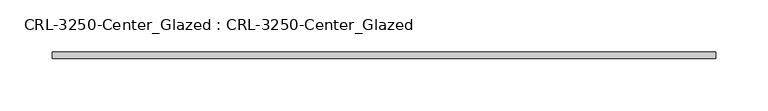
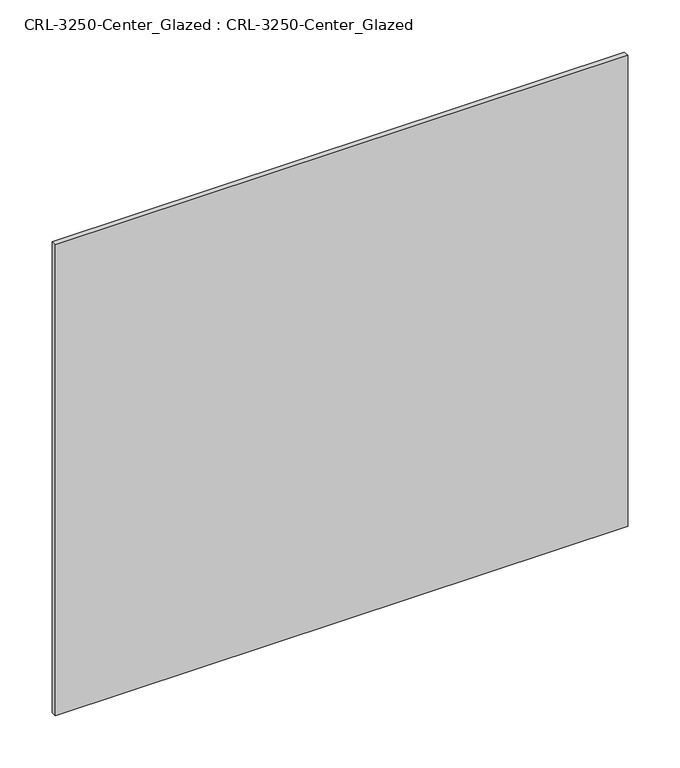
"""IFC4 building model written with IfcOpenShell, lengths in millimetres: plate geometry, CRL-3250-Center_Glazed : CRL-3250-Center_Glazed."""

from ifc_helpers import new_model, si_unit, origin, origin_with_axes, place, context, project, spatial, polyline, outline, extrude, source, transform, mapped, element, save


def crl_3250_center_glazed_crl_3250_center_glazed_00df5ad2(model_context):
    return source(origin(), model_context, "Body", "SweptSolid", [
        extrude(outline(polyline([(317.5000015, -3.1749999), (-317.5000015, -3.1749999), (-317.5000015, 3.1749999), (317.5000015, 3.1749999), (317.5000015, -3.1749999)])), origin_with_axes(), (0.0, 0.0, 1.0), 552.4500045),
    ])


if __name__ == "__main__":
    model = new_model("IFC4")
    model_context = context("Model", 3, world=origin())
    ifc_project = project(units=[si_unit("LENGTHUNIT", "METRE", prefix="MILLI")], contexts=[model_context])
    site = spatial("IfcSite", under=ifc_project)
    building = spatial("IfcBuilding", under=site)
    placement = place(None, origin())
    crl_3250_center_glazed_crl_3250_center_glazed_shape = crl_3250_center_glazed_crl_3250_center_glazed_00df5ad2(model_context)
    element("IfcPlate", 1, ObjectType="CRL-3250-Center_Glazed : CRL-3250-Center_Glazed", at=placement, inside=building, context=model_context, shape_type="MappedRepresentation", body=[
        mapped(crl_3250_center_glazed_crl_3250_center_glazed_shape, transform((0.0, 0.0, 0.0), x_axis=(1.0, 0.0, 0.0), y_axis=(0.0, 1.0, 0.0), z_axis=(0.0, 0.0, 1.0))),
    ])
    save(model, "model.ifc")
